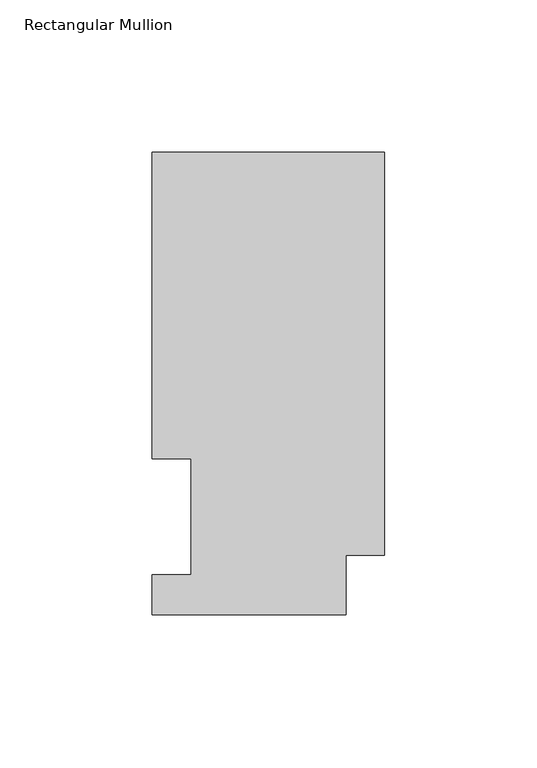
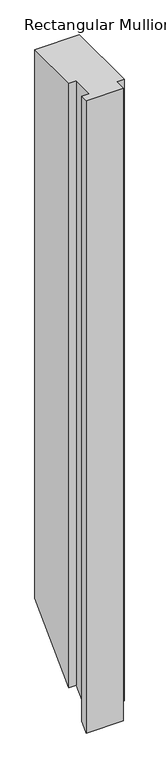
"""IFC4 building model written with IfcOpenShell, lengths in millimetres: member geometry, Rectangular Mullion."""

from ifc_helpers import new_model, si_unit, origin, place, context, project, spatial, faceted_brep, source, transform, mapped, element, save


def rectangular_mullion_337d849a(model_context):
    return source(origin(), model_context, "Body", "Brep", [
        faceted_brep([(-76.2, 51.2960938, 0.0), (-63.5, 51.2960938, 0.0), (-63.5, 13.1960937, 0.0), (-76.2, 13.1960937, 0.0), (-76.2, 0.0134937, 0.0), (-12.7, 0.0134937, 0.0), (-12.7, 19.5455957, 0.0), (0.0, 19.5455957, 0.0), (0.0, 151.7022937, 0.0), (-76.2, 151.7022937, 0.0), (-76.2, 51.2960938, -1091.7174), (-63.5, 51.2960938, -1091.7174), (-63.5, 13.1960937, -1129.8174), (-76.2, 13.1960937, -1129.8174), (-76.2, 0.0134937, -1143.0), (-12.7, 0.0134937, -1143.0), (-12.7, 19.5455957, -1123.467898), (0.0, 19.5455957, -1123.467898), (0.0, 151.7022937, -991.3112), (-76.2, 151.7022937, -991.3112)], [[[0, 1, 2, 3, 4, 5, 6, 7, 8, 9]], [[1, 0, 10, 11]], [[2, 1, 11, 12]], [[3, 2, 12, 13]], [[4, 3, 13, 14]], [[5, 4, 14, 15]], [[6, 5, 15, 16]], [[7, 6, 16, 17]], [[8, 7, 17, 18]], [[9, 8, 18, 19]], [[0, 9, 19, 10]], [[10, 19, 18, 17, 16, 15, 14, 13, 12, 11]]]),
    ])


if __name__ == "__main__":
    model = new_model("IFC4")
    model_context = context("Model", 3, world=origin())
    ifc_project = project(units=[si_unit("LENGTHUNIT", "METRE", prefix="MILLI")], contexts=[model_context])
    site = spatial("IfcSite", under=ifc_project)
    building = spatial("IfcBuilding", under=site)
    placement = place(None, origin())
    rectangular_mullion_shape = rectangular_mullion_337d849a(model_context)
    element("IfcMember", 1, ObjectType="Rectangular Mullion", at=placement, inside=building, context=model_context, shape_type="MappedRepresentation", body=[
        mapped(rectangular_mullion_shape, transform((0.0, 0.0, 0.0), x_axis=(1.0, 0.0, 0.0), y_axis=(0.0, 1.0, 0.0), z_axis=(0.0, 0.0, 1.0))),
    ])
    save(model, "model.ifc")
